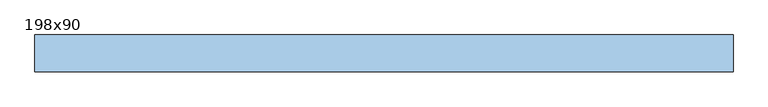
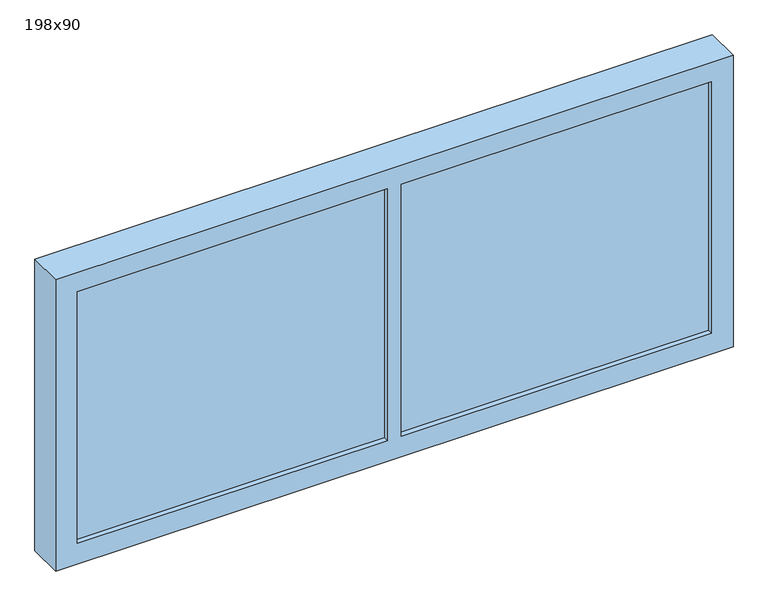
"""IFC4 building model written with IfcOpenShell, lengths in millimetres: window geometry, 198x90."""

from ifc_helpers import new_model, si_unit, frame, origin, place, context, project, spatial, polyline, outline, extrude, faceted_brep, source, transform, mapped, element, save


def window_198x90_11bc8404(model_context):
    return source(origin(), model_context, "Body", "SolidModel", [
        extrude(outline(polyline([(888.4, 101.425), (-964.6, 101.425), (-964.6, 114.125), (888.4, 114.125), (888.4, 101.425)])), frame((0.0, 0.0, 977.9), z_axis=(0.0, 0.0, 1.0), x_axis=(1.0, 0.0, 0.0)), (0.0, 0.0, 1.0), 777.45),
        faceted_brep([(951.9, 190.0, 1814.4), (951.9, 190.0, 914.4), (-1028.1, 190.0, 914.4), (-1028.1, 190.0, 1814.4), (932.85, 190.0, 1795.35), (-1009.05, 190.0, 1795.35), (-1009.05, 190.0, 933.45), (932.85, 190.0, 933.45), (-1028.1, 85.55, 914.4), (-1028.1, 85.55, 1814.4), (951.9, 85.55, 914.4), (951.9, 85.55, 1814.4), (932.85, 130.0, 933.45), (932.85, 130.0, 1795.35), (-1009.05, 130.0, 933.45), (-1009.05, 130.0, 1795.35), (-18.1, 130.0, 1795.35), (-58.1, 130.0, 1795.35), (-58.1, 130.0, 1755.35), (-58.1, 130.0, 977.9), (-58.1, 85.55, 977.9), (-58.1, 85.55, 1755.35), (888.4, 130.0, 977.9), (888.4, 130.0, 1755.35), (-18.1, 130.0, 1755.35), (-18.1, 130.0, 977.9), (-964.6, 130.0, 1755.35), (-964.6, 130.0, 977.9), (-964.6, 85.55, 1755.35), (-964.6, 85.55, 977.9), (888.4, 85.55, 977.9), (-18.1, 85.55, 977.9), (-18.1, 85.55, 1755.35), (888.4, 85.55, 1755.35)], [[[0, 1, 2, 3], [4, 5, 6, 7]], [[8, 9, 3, 2]], [[10, 8, 2, 1]], [[11, 10, 1, 0]], [[4, 7, 12, 13]], [[7, 6, 14, 12]], [[6, 5, 15, 14]], [[5, 4, 13, 16, 17, 15]], [[18, 19, 20, 21]], [[13, 12, 14, 15, 17, 16], [22, 23, 24, 25], [26, 27, 19, 18]], [[27, 26, 28, 29]], [[27, 29, 20, 19]], [[30, 22, 25, 31]], [[32, 31, 25, 24]], [[23, 22, 30, 33]], [[11, 9, 8, 10], [29, 28, 21, 20], [33, 30, 31, 32]], [[11, 0, 3, 9]], [[28, 26, 18, 21]], [[23, 33, 32, 24]]]),
    ])


if __name__ == "__main__":
    model = new_model("IFC4")
    model_context = context("Model", 3, world=origin())
    ifc_project = project(units=[si_unit("LENGTHUNIT", "METRE", prefix="MILLI")], contexts=[model_context])
    site = spatial("IfcSite", under=ifc_project)
    building = spatial("IfcBuilding", under=site)
    placement = place(None, origin())
    window_198x90_shape = window_198x90_11bc8404(model_context)
    element("IfcWindow", 1, ObjectType="198x90", at=placement, inside=building, context=model_context, shape_type="MappedRepresentation", body=[
        mapped(window_198x90_shape, transform((0.0, 0.0, 0.0), x_axis=(1.0, 0.0, 0.0), y_axis=(0.0, 1.0, 0.0), z_axis=(0.0, 0.0, 1.0))),
    ])
    save(model, "model.ifc")
